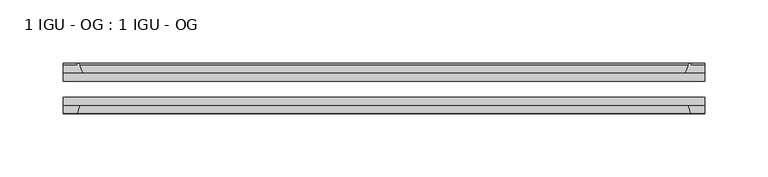
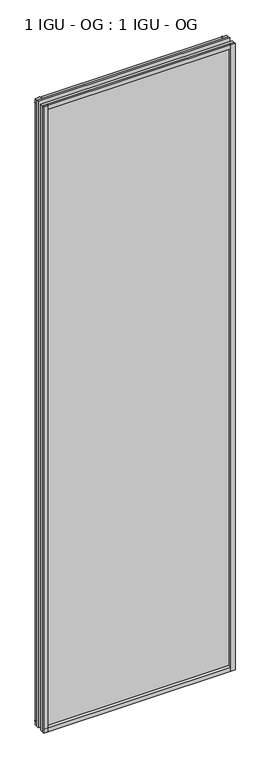
"""IFC4 building model written with IfcOpenShell, lengths in millimetres: plate geometry, 1 IGU - OG : 1 IGU - OG."""

from ifc_helpers import new_model, si_unit, point, frame, frame_2d, origin, place, context, project, spatial, polyline, circle_curve, trimmed, segment, composite_curve, outline, extrude, source, transform, mapped, element, save


def plate_1_igu_og_1_igu_og_8941615b(model_context):
    return source(origin(), model_context, "Body", "SweptSolid", [
        extrude(outline(polyline([(254.0, -31.75), (254.0, -38.1), (-254.0, -38.1), (-254.0, -31.75), (254.0, -31.75)])), frame((0.0, 0.0, -11.1125), z_axis=(0.0, 0.0, 1.0), x_axis=(1.0, 0.0, 0.0)), (0.0, 0.0, 1.0), 1755.775),
        extrude(outline(polyline([(-254.0, -12.7), (254.0, -12.7), (254.0, -19.05), (-254.0, -19.05), (-254.0, -12.7)])), frame((0.0, 0.0, -11.1125), z_axis=(0.0, 0.0, 1.0), x_axis=(1.0, 0.0, 0.0)), (0.0, 0.0, 1.0), 1755.775),
        extrude(outline(composite_curve([segment(polyline([(-238.6642091, -12.7), (-254.0, -12.7), (-254.0, -6.35), (-242.8875, -6.35), (-242.8875, -4.7751661), (-241.958086, -4.7751661)]), True, "CONTINUOUS"), segment(trimmed(circle_curve(frame_2d((-241.958086, -5.5371661)), 0.762), [point((-241.958086, -4.7751661))], [point((-241.2158761, -5.364631))], False, "CARTESIAN"), True, "CONTINUOUS"), segment(trimmed(circle_curve(frame_2d((-205.5866579, 2.9177851)), 36.5792237), [point((-241.2158761, -5.364631))], [point((-238.6642091, -12.7))], True, "CARTESIAN"), True, "CONTINUOUS")], self_intersect=False)), frame((0.0, 0.0, -11.1125), z_axis=(0.0, 0.0, 1.0), x_axis=(1.0, 0.0, 0.0)), (0.0, 0.0, 1.0), 1755.775),
        extrude(outline(polyline([(-254.0, -38.1), (-240.7822229, -38.1), (-242.8875, -44.45), (-254.0, -44.45), (-254.0, -38.1)])), frame((0.0, 0.0, -11.1125), z_axis=(0.0, 0.0, 1.0), x_axis=(1.0, 0.0, 0.0)), (0.0, 0.0, 1.0), 1755.775),
        extrude(outline(composite_curve([segment(trimmed(circle_curve(frame_2d((241.958086, -5.5371661)), 0.762), [point((241.2158761, -5.364631))], [point((241.958086, -4.7751661))], False, "CARTESIAN"), True, "CONTINUOUS"), segment(polyline([(241.958086, -4.7751661), (242.8875, -4.7751661), (242.8875, -6.35), (254.0, -6.35), (254.0, -12.7), (238.6642091, -12.7)]), True, "CONTINUOUS"), segment(trimmed(circle_curve(frame_2d((205.5866579, 2.9177851)), 36.5792237), [point((238.6642091, -12.7))], [point((241.2158761, -5.364631))], True, "CARTESIAN"), True, "CONTINUOUS")], self_intersect=False)), frame((0.0, 0.0, -11.1125), z_axis=(0.0, 0.0, 1.0), x_axis=(1.0, 0.0, 0.0)), (0.0, 0.0, 1.0), 1755.775),
        extrude(outline(polyline([(240.7822229, -38.1), (254.0, -38.1), (254.0, -44.45), (242.8875, -44.45), (240.7822229, -38.1)])), frame((0.0, 0.0, -11.1125), z_axis=(0.0, 0.0, 1.0), x_axis=(1.0, 0.0, 0.0)), (0.0, 0.0, 1.0), 1755.775),
        extrude(outline(composite_curve([segment(polyline([(-12.7, -11.1125), (-12.7, 4.2232909)]), True, "CONTINUOUS"), segment(trimmed(circle_curve(frame_2d((2.9177851, 37.3008421)), 36.5792237), [point((-12.7, 4.2232909))], [point((-5.364631, 1.6716239))], True, "CARTESIAN"), True, "CONTINUOUS"), segment(trimmed(circle_curve(frame_2d((-5.5371661, 0.929414)), 0.762), [point((-5.364631, 1.6716239))], [point((-4.7751661, 0.929414))], False, "CARTESIAN"), True, "CONTINUOUS"), segment(polyline([(-4.7751661, 0.929414), (-4.7751661, 0.0), (-6.35, 0.0), (-6.35, -11.1125), (-12.7, -11.1125)]), True, "CONTINUOUS")], self_intersect=False)), frame((-254.0, 0.0, 0.0), z_axis=(1.0, 0.0, 0.0), x_axis=(0.0, 1.0, 0.0)), (0.0, 0.0, 1.0), 508.0),
        extrude(outline(polyline([(-38.1, 2.1052771), (-38.1, -11.1125), (-44.45, -11.1125), (-44.45, 0.0), (-38.1, 2.1052771)])), frame((-254.0, 0.0, 0.0), z_axis=(1.0, 0.0, 0.0), x_axis=(0.0, 1.0, 0.0)), (0.0, 0.0, 1.0), 508.0),
        extrude(outline(composite_curve([segment(trimmed(circle_curve(frame_2d((2.9177851, 1696.2491579)), 36.5792237), [point((-5.364631, 1731.8783761))], [point((-12.7, 1729.3267091))], True, "CARTESIAN"), True, "CONTINUOUS"), segment(polyline([(-12.7, 1729.3267091), (-12.7, 1744.6625), (-6.35, 1744.6625), (-6.35, 1733.55), (-4.7751661, 1733.55), (-4.7751661, 1732.620586)]), True, "CONTINUOUS"), segment(trimmed(circle_curve(frame_2d((-5.5371661, 1732.620586)), 0.762), [point((-4.7751661, 1732.620586))], [point((-5.364631, 1731.8783761))], False, "CARTESIAN"), True, "CONTINUOUS")], self_intersect=False)), frame((-254.0, 0.0, 0.0), z_axis=(1.0, 0.0, 0.0), x_axis=(0.0, 1.0, 0.0)), (0.0, 0.0, 1.0), 508.0),
        extrude(outline(polyline([(-38.1, 1744.6625), (-38.1, 1731.4447229), (-44.45, 1733.55), (-44.45, 1744.6625), (-38.1, 1744.6625)])), frame((-254.0, 0.0, 0.0), z_axis=(1.0, 0.0, 0.0), x_axis=(0.0, 1.0, 0.0)), (0.0, 0.0, 1.0), 508.0),
    ])


if __name__ == "__main__":
    model = new_model("IFC4")
    model_context = context("Model", 3, world=origin())
    ifc_project = project(units=[si_unit("LENGTHUNIT", "METRE", prefix="MILLI")], contexts=[model_context])
    site = spatial("IfcSite", under=ifc_project)
    building = spatial("IfcBuilding", under=site)
    placement = place(None, origin())
    plate_1_igu_og_1_igu_og_shape = plate_1_igu_og_1_igu_og_8941615b(model_context)
    element("IfcPlate", 1, ObjectType="1 IGU - OG : 1 IGU - OG", at=placement, inside=building, context=model_context, shape_type="MappedRepresentation", body=[
        mapped(plate_1_igu_og_1_igu_og_shape, transform((0.0, 0.0, 0.0), x_axis=(1.0, 0.0, 0.0), y_axis=(0.0, 1.0, 0.0), z_axis=(0.0, 0.0, 1.0))),
    ])
    save(model, "model.ifc")
